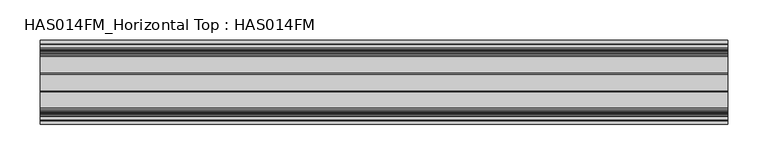
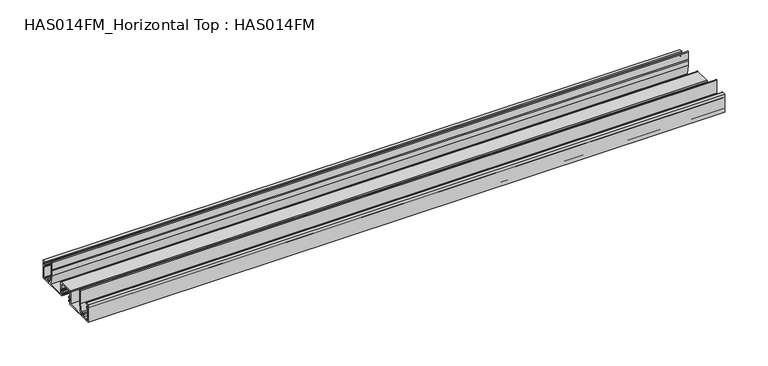
"""IFC4 building model written with IfcOpenShell, lengths in millimetres: beam geometry, HAS014FM_Horizontal Top : HAS014FM."""

from ifc_helpers import new_model, si_unit, point, frame, frame_2d, origin, place, context, project, spatial, polyline, circle_curve, trimmed, segment, composite_curve, outline, extrude, source, transform, mapped, element, save


def has014fm_horizontal_top_has014fm_555fefb0(model_context):
    return source(origin(), model_context, "Body", "SweptSolid", [
        extrude(outline(composite_curve([segment(polyline([(-9.7397316, -31.7708648), (-9.7397316, -34.1298825), (-51.998773, -34.1298825), (-51.998773, -9.0339496), (-47.6822725, -9.0339496)]), True, "CONTINUOUS"), segment(trimmed(circle_curve(frame_2d((-47.6822725, -9.7366357)), 0.7026861), [point((-47.6822725, -9.0339496))], [point((-47.6822725, -10.4393218))], False, "CARTESIAN"), True, "CONTINUOUS"), segment(polyline([(-47.6822725, -10.4393218), (-50.6435926, -10.4393218), (-50.6435926, -13.7017931), (-48.9370692, -13.7017931)]), True, "CONTINUOUS"), segment(trimmed(circle_curve(frame_2d((-48.9370692, -14.504863)), 0.8030699), [point((-48.9370692, -13.7017931))], [point((-48.1339993, -14.504863))], False, "CARTESIAN"), True, "CONTINUOUS"), segment(polyline([(-48.1339993, -14.504863), (-48.1339993, -15.7094677)]), True, "CONTINUOUS"), segment(trimmed(circle_curve(frame_2d((-48.635918, -15.7094677)), 0.5019187), [point((-48.1339993, -15.7094677))], [point((-49.1378366, -15.7094677))], False, "CARTESIAN"), True, "CONTINUOUS"), segment(polyline([(-49.1378366, -15.7094677), (-49.1378366, -14.7056304), (-50.6435926, -14.7056304), (-50.6435926, -32.7747021), (-49.1378366, -32.7747021), (-49.1378366, -31.7708648)]), True, "CONTINUOUS"), segment(trimmed(circle_curve(frame_2d((-48.635918, -31.7708648)), 0.5019187), [point((-49.1378366, -31.7708648))], [point((-48.1339993, -31.7708648))], False, "CARTESIAN"), True, "CONTINUOUS"), segment(polyline([(-48.1339993, -31.7708648), (-48.1339993, -32.7747021), (-41.4082317, -32.7747021)]), True, "CONTINUOUS"), segment(trimmed(circle_curve(frame_2d((-38.9488879, -30.8679975)), 3.1118957), [point((-41.4082317, -32.7747021))], [point((-41.283567, -28.810531))], False, "CARTESIAN"), True, "CONTINUOUS"), segment(trimmed(circle_curve(frame_2d((-40.7187253, -29.3083052)), 0.752878), [point((-41.283567, -28.810531))], [point((-40.1538836, -29.8060793))], False, "CARTESIAN"), True, "CONTINUOUS"), segment(trimmed(circle_curve(frame_2d((-38.9488879, -30.8679975)), 1.6061397), [point((-40.1538836, -29.8060793))], [point((-39.0041772, -32.4731853))], True, "CARTESIAN"), True, "CONTINUOUS"), segment(trimmed(circle_curve(frame_2d((-38.9488879, -30.8679975)), 1.6061397), [point((-39.0041772, -32.4731853))], [point((-37.7438922, -29.8060793))], True, "CARTESIAN"), True, "CONTINUOUS"), segment(trimmed(circle_curve(frame_2d((-37.1790505, -29.3083052)), 0.752878), [point((-37.7438922, -29.8060793))], [point((-36.6142088, -28.810531))], False, "CARTESIAN"), True, "CONTINUOUS"), segment(polyline([(-36.6142088, -28.810531), (-35.692704, -29.7320358), (-33.4779745, -18.9347678), (-33.4779745, -0.6775902)]), True, "CONTINUOUS"), segment(trimmed(circle_curve(frame_2d((-32.8003843, -0.6775902)), 0.6775902), [point((-33.4779745, -0.6775902))], [point((-32.1227941, -0.6775902))], False, "CARTESIAN"), True, "CONTINUOUS"), segment(polyline([(-32.1227941, -0.6775902), (-32.1227941, -10.5402918), (-32.925864, -10.5402918), (-32.1227941, -12.4331683), (-32.1227941, -19.0723228), (-34.9335386, -32.7752884), (-11.2956794, -32.7752884), (-11.2956794, -15.7596596)]), True, "CONTINUOUS"), segment(trimmed(circle_curve(frame_2d((-10.0910746, -15.7596596)), 1.2046048), [point((-11.2956794, -15.7596596))], [point((-10.0910746, -14.5550548))], False, "CARTESIAN"), True, "CONTINUOUS"), segment(polyline([(-10.0910746, -14.5550548), (10.0910746, -14.5550548)]), True, "CONTINUOUS"), segment(trimmed(circle_curve(frame_2d((10.0910746, -15.7596596)), 1.2046048), [point((10.0910746, -14.5550548))], [point((11.2956794, -15.7596596))], False, "CARTESIAN"), True, "CONTINUOUS"), segment(polyline([(11.2956794, -15.7596596), (11.2956794, -32.7752884), (34.9335386, -32.7752884), (32.1227941, -19.0723228), (32.1227941, -12.4331683), (32.925864, -10.5402918), (32.1227941, -10.5402918), (32.1227941, -0.6775902)]), True, "CONTINUOUS"), segment(trimmed(circle_curve(frame_2d((32.8003843, -0.6775902)), 0.6775902), [point((32.1227941, -0.6775902))], [point((33.4779745, -0.6775902))], False, "CARTESIAN"), True, "CONTINUOUS"), segment(polyline([(33.4779745, -0.6775902), (33.4779745, -18.9347678), (35.692704, -29.7320358), (36.6142088, -28.810531)]), True, "CONTINUOUS"), segment(trimmed(circle_curve(frame_2d((37.1790505, -29.3083052)), 0.752878), [point((36.6142088, -28.810531))], [point((37.7438922, -29.8060793))], False, "CARTESIAN"), True, "CONTINUOUS"), segment(trimmed(circle_curve(frame_2d((38.9488879, -30.8679975)), 1.6061397), [point((37.7438922, -29.8060793))], [point((38.9120232, -32.4737141))], True, "CARTESIAN"), True, "CONTINUOUS"), segment(trimmed(circle_curve(frame_2d((38.9488879, -30.8679975)), 1.6061397), [point((38.9120232, -32.4737141))], [point((40.1538835, -29.8060793))], True, "CARTESIAN"), True, "CONTINUOUS"), segment(trimmed(circle_curve(frame_2d((40.7187253, -29.3083052)), 0.752878), [point((40.1538835, -29.8060793))], [point((41.283567, -28.810531))], False, "CARTESIAN"), True, "CONTINUOUS"), segment(trimmed(circle_curve(frame_2d((38.9488879, -30.8679975)), 3.1118957), [point((41.283567, -28.810531))], [point((41.4082317, -32.7747021))], False, "CARTESIAN"), True, "CONTINUOUS"), segment(polyline([(41.4082317, -32.7747021), (48.1339993, -32.7747021), (48.1339993, -31.7708648)]), True, "CONTINUOUS"), segment(trimmed(circle_curve(frame_2d((48.635918, -31.7708648)), 0.5019187), [point((48.1339993, -31.7708648))], [point((49.1378366, -31.7708648))], False, "CARTESIAN"), True, "CONTINUOUS"), segment(polyline([(49.1378366, -31.7708648), (49.1378366, -32.7747021), (50.6435926, -32.7747021), (50.6435926, -14.7056304), (49.1378366, -14.7056304), (49.1378366, -15.7094677)]), True, "CONTINUOUS"), segment(trimmed(circle_curve(frame_2d((48.635918, -15.7094677)), 0.5019187), [point((49.1378366, -15.7094677))], [point((48.1339993, -15.7094677))], False, "CARTESIAN"), True, "CONTINUOUS"), segment(polyline([(48.1339993, -15.7094677), (48.1339993, -14.504863)]), True, "CONTINUOUS"), segment(trimmed(circle_curve(frame_2d((48.9370692, -14.504863)), 0.8030699), [point((48.1339993, -14.504863))], [point((48.9370692, -13.7017931))], False, "CARTESIAN"), True, "CONTINUOUS"), segment(polyline([(48.9370692, -13.7017931), (50.6435926, -13.7017931), (50.6435926, -10.4393218), (47.6822725, -10.4393218)]), True, "CONTINUOUS"), segment(trimmed(circle_curve(frame_2d((47.6822725, -9.7366357)), 0.7026861), [point((47.6822725, -10.4393218))], [point((47.6822725, -9.0339496))], False, "CARTESIAN"), True, "CONTINUOUS"), segment(polyline([(47.6822725, -9.0339496), (51.998773, -9.0339496), (51.998773, -34.1298825), (9.7397316, -34.1298825), (9.7397316, -31.7708648), (8.0332081, -31.7708648)]), True, "CONTINUOUS"), segment(trimmed(circle_curve(frame_2d((8.0332081, -31.2689461)), 0.5019187), [point((8.0332081, -31.7708648))], [point((7.5312895, -31.2689461))], False, "CARTESIAN"), True, "CONTINUOUS"), segment(polyline([(7.5312895, -31.2689461), (7.5312895, -29.6635739)]), True, "CONTINUOUS"), segment(trimmed(circle_curve(frame_2d((8.0332081, -29.6635739)), 0.5019187), [point((7.5312895, -29.6635739))], [point((8.5351268, -29.6635739))], False, "CARTESIAN"), True, "CONTINUOUS"), segment(polyline([(8.5351268, -29.6635739), (8.5351268, -30.4658763), (9.940499, -30.4658763), (9.940499, -25.0451548), (8.5351268, -25.0451548), (8.5351268, -25.8474572)]), True, "CONTINUOUS"), segment(trimmed(circle_curve(frame_2d((8.0332081, -25.8474572)), 0.5019187), [point((8.5351268, -25.8474572))], [point((7.5312895, -25.8474572))], False, "CARTESIAN"), True, "CONTINUOUS"), segment(polyline([(7.5312895, -25.8474572), (7.5312895, -24.2420849)]), True, "CONTINUOUS"), segment(trimmed(circle_curve(frame_2d((8.0332081, -24.2420849)), 0.5019187), [point((7.5312895, -24.2420849))], [point((8.0332081, -23.7401663))], False, "CARTESIAN"), True, "CONTINUOUS"), segment(polyline([(8.0332081, -23.7401663), (9.7397316, -23.7401663), (9.7397316, -16.1110027), (-9.7397316, -16.1110027), (-9.7397316, -23.7401663), (-8.0332081, -23.7401663)]), True, "CONTINUOUS"), segment(trimmed(circle_curve(frame_2d((-8.0332081, -24.2420849)), 0.5019187), [point((-8.0332081, -23.7401663))], [point((-7.5312895, -24.2420849))], False, "CARTESIAN"), True, "CONTINUOUS"), segment(polyline([(-7.5312895, -24.2420849), (-7.5312895, -25.8474572)]), True, "CONTINUOUS"), segment(trimmed(circle_curve(frame_2d((-8.0332081, -25.8474572)), 0.5019187), [point((-7.5312895, -25.8474572))], [point((-8.5351268, -25.8474572))], False, "CARTESIAN"), True, "CONTINUOUS"), segment(polyline([(-8.5351268, -25.8474572), (-8.5351268, -25.0451548), (-9.940499, -25.0451548), (-9.940499, -30.4658763), (-8.5351268, -30.4658763), (-8.5351268, -29.6635739)]), True, "CONTINUOUS"), segment(trimmed(circle_curve(frame_2d((-8.0332081, -29.6635739)), 0.5019187), [point((-8.5351268, -29.6635739))], [point((-7.5312895, -29.6635739))], False, "CARTESIAN"), True, "CONTINUOUS"), segment(polyline([(-7.5312895, -29.6635739), (-7.5312895, -31.2689461)]), True, "CONTINUOUS"), segment(trimmed(circle_curve(frame_2d((-8.0332081, -31.2689461)), 0.5019187), [point((-7.5312895, -31.2689461))], [point((-8.0332081, -31.7708648))], False, "CARTESIAN"), True, "CONTINUOUS"), segment(polyline([(-8.0332081, -31.7708648), (-9.7397316, -31.7708648)]), True, "CONTINUOUS")], self_intersect=False)), frame((-425.0378612, 0.0, 0.0), z_axis=(1.0, 0.0, 0.0), x_axis=(0.0, 1.0, 0.0)), (0.0, 0.0, 1.0), 850.0757225),
    ])


if __name__ == "__main__":
    model = new_model("IFC4")
    model_context = context("Model", 3, world=origin())
    ifc_project = project(units=[si_unit("LENGTHUNIT", "METRE", prefix="MILLI")], contexts=[model_context])
    site = spatial("IfcSite", under=ifc_project)
    building = spatial("IfcBuilding", under=site)
    placement = place(None, origin())
    has014fm_horizontal_top_has014fm_shape = has014fm_horizontal_top_has014fm_555fefb0(model_context)
    element("IfcBeam", 1, ObjectType="HAS014FM_Horizontal Top : HAS014FM", at=placement, inside=building, context=model_context, shape_type="MappedRepresentation", body=[
        mapped(has014fm_horizontal_top_has014fm_shape, transform((0.0, 0.0, 0.0), x_axis=(1.0, 0.0, 0.0), y_axis=(0.0, 1.0, 0.0), z_axis=(0.0, 0.0, 1.0))),
    ])
    save(model, "model.ifc")
